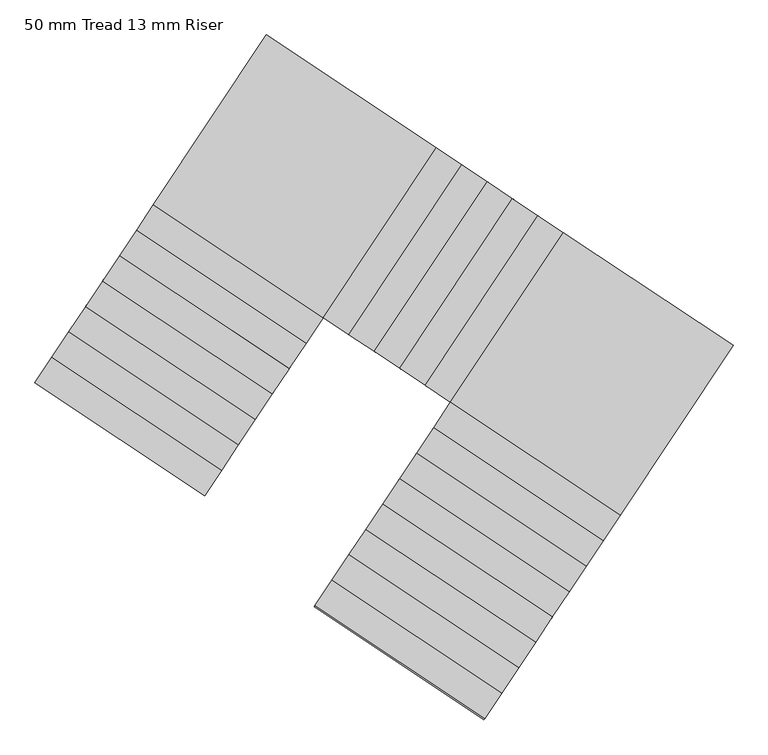
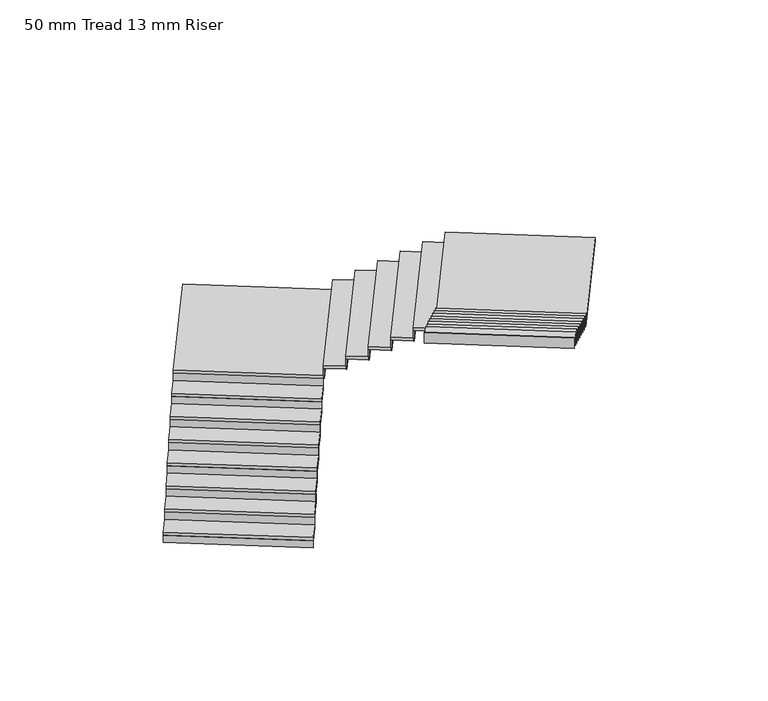
"""IFC4 building model written with IfcOpenShell, lengths in millimetres: stair flight geometry, 50 mm Tread 13 mm Riser."""

from ifc_helpers import new_model, si_unit, frame, origin, place, context, project, spatial, polyline, outline, extrude, source, transform, mapped, element, save


def stair_flight_50_mm_tread_13_mm_riser_fce2e4ef(model_context):
    return source(origin(), model_context, "Body", "SweptSolid", [
        extrude(outline(polyline([(-247204.2511497, 56805.2453331), (-247211.1748969, 56794.8380412), (-248876.3416006, 57902.6375939), (-248869.4178534, 57913.0448858), (-247204.2511497, 56805.2453331)])), frame((0.0, 0.0, 8680.0), z_axis=(0.0, 0.0, 1.0), x_axis=(1.0, 0.0, 0.0)), (0.0, 0.0, 1.0), 116.6666667),
        extrude(outline(polyline([(-248710.1716677, 58152.4125995), (-247045.004964, 57044.6130467), (-247211.1748969, 56794.8380412), (-248876.3416006, 57902.6375939), (-248710.1716677, 58152.4125995)])), frame((0.0, 0.0, 8796.6666667), z_axis=(0.0, 0.0, 1.0), x_axis=(1.0, 0.0, 0.0)), (0.0, 0.0, 1.0), 50.0),
        extrude(outline(polyline([(-247038.0812168, 57055.0203386), (-247045.004964, 57044.6130467), (-248710.1716677, 58152.4125995), (-248703.2479205, 58162.8198914), (-247038.0812168, 57055.0203386)])), frame((0.0, 0.0, 8796.6666667), z_axis=(0.0, 0.0, 1.0), x_axis=(1.0, 0.0, 0.0)), (0.0, 0.0, 1.0), 166.6666667),
        extrude(outline(polyline([(-248544.0017348, 58402.187605), (-246878.8350311, 57294.3880523), (-247045.004964, 57044.6130467), (-248710.1716677, 58152.4125995), (-248544.0017348, 58402.187605)])), frame((0.0, 0.0, 8963.3333333), z_axis=(0.0, 0.0, 1.0), x_axis=(1.0, 0.0, 0.0)), (0.0, 0.0, 1.0), 50.0),
        extrude(outline(polyline([(-246871.9112839, 57304.7953442), (-246878.8350311, 57294.3880523), (-248544.0017348, 58402.187605), (-248537.0779876, 58412.5948969), (-246871.9112839, 57304.7953442)])), frame((0.0, 0.0, 8963.3333333), z_axis=(0.0, 0.0, 1.0), x_axis=(1.0, 0.0, 0.0)), (0.0, 0.0, 1.0), 166.6666667),
        extrude(outline(polyline([(-248377.8318019, 58651.9626106), (-246712.6650982, 57544.1630578), (-246878.8350311, 57294.3880523), (-248544.0017348, 58402.187605), (-248377.8318019, 58651.9626106)])), frame((0.0, 0.0, 9130.0), z_axis=(0.0, 0.0, 1.0), x_axis=(1.0, 0.0, 0.0)), (0.0, 0.0, 1.0), 50.0),
        extrude(outline(polyline([(-246705.741351, 57554.5703497), (-246712.6650982, 57544.1630578), (-248377.8318019, 58651.9626106), (-248370.9080547, 58662.3699025), (-246705.741351, 57554.5703497)])), frame((0.0, 0.0, 9130.0), z_axis=(0.0, 0.0, 1.0), x_axis=(1.0, 0.0, 0.0)), (0.0, 0.0, 1.0), 166.6666667),
        extrude(outline(polyline([(-248211.6618689, 58901.7376161), (-246546.4951653, 57793.9380634), (-246712.6650982, 57544.1630578), (-248377.8318019, 58651.9626106), (-248211.6618689, 58901.7376161)])), frame((0.0, 0.0, 9296.6666667), z_axis=(0.0, 0.0, 1.0), x_axis=(1.0, 0.0, 0.0)), (0.0, 0.0, 1.0), 50.0),
        extrude(outline(polyline([(-246539.5714181, 57804.3453553), (-246546.4951653, 57793.9380634), (-248211.6618689, 58901.7376161), (-248204.7381217, 58912.144908), (-246539.5714181, 57804.3453553)])), frame((0.0, 0.0, 9296.6666667), z_axis=(0.0, 0.0, 1.0), x_axis=(1.0, 0.0, 0.0)), (0.0, 0.0, 1.0), 166.6666667),
        extrude(outline(polyline([(-248045.491936, 59151.5126217), (-246380.3252324, 58043.7130689), (-246546.4951653, 57793.9380634), (-248211.6618689, 58901.7376161), (-248045.491936, 59151.5126217)])), frame((0.0, 0.0, 9463.3333333), z_axis=(0.0, 0.0, 1.0), x_axis=(1.0, 0.0, 0.0)), (0.0, 0.0, 1.0), 50.0),
        extrude(outline(polyline([(-246373.4014852, 58054.1203608), (-246380.3252324, 58043.7130689), (-248045.491936, 59151.5126217), (-248038.5681888, 59161.9199136), (-246373.4014852, 58054.1203608)])), frame((0.0, 0.0, 9463.3333333), z_axis=(0.0, 0.0, 1.0), x_axis=(1.0, 0.0, 0.0)), (0.0, 0.0, 1.0), 166.6666667),
        extrude(outline(polyline([(-247879.3220031, 59401.2876272), (-246214.1552995, 58293.4880745), (-246380.3252324, 58043.7130689), (-248045.491936, 59151.5126217), (-247879.3220031, 59401.2876272)])), frame((0.0, 0.0, 9630.0), z_axis=(0.0, 0.0, 1.0), x_axis=(1.0, 0.0, 0.0)), (0.0, 0.0, 1.0), 50.0),
        extrude(outline(polyline([(-246207.2315523, 58303.8953664), (-246214.1552995, 58293.4880745), (-247879.3220031, 59401.2876272), (-247872.3982559, 59411.6949191), (-246207.2315523, 58303.8953664)])), frame((0.0, 0.0, 9630.0), z_axis=(0.0, 0.0, 1.0), x_axis=(1.0, 0.0, 0.0)), (0.0, 0.0, 1.0), 166.6666667),
        extrude(outline(polyline([(-247713.1520702, 59651.0626328), (-246047.9853666, 58543.26308), (-246214.1552995, 58293.4880745), (-247879.3220031, 59401.2876272), (-247713.1520702, 59651.0626328)])), frame((0.0, 0.0, 9796.6666667), z_axis=(0.0, 0.0, 1.0), x_axis=(1.0, 0.0, 0.0)), (0.0, 0.0, 1.0), 50.0),
        extrude(outline(polyline([(-246041.0616194, 58553.6703719), (-246047.9853666, 58543.26308), (-247713.1520702, 59651.0626328), (-247706.228323, 59661.4699246), (-246041.0616194, 58553.6703719)])), frame((0.0, 0.0, 9796.6666667), z_axis=(0.0, 0.0, 1.0), x_axis=(1.0, 0.0, 0.0)), (0.0, 0.0, 1.0), 166.6666667),
        extrude(outline(polyline([(-244940.1858138, 60208.4297837), (-246047.9853666, 58543.26308), (-247713.1520702, 59651.0626328), (-246605.3525175, 61316.2293364), (-244940.1858138, 60208.4297837)])), frame((0.0, 0.0, 9963.3333333), z_axis=(0.0, 0.0, 1.0), x_axis=(1.0, 0.0, 0.0)), (0.0, 0.0, 1.0), 50.0),
        extrude(outline(polyline([(-246037.5780747, 58536.3393328), (-246047.9853666, 58543.26308), (-244940.1858138, 60208.4297837), (-244929.7785219, 60201.5060365), (-246037.5780747, 58536.3393328)])), frame((0.0, 0.0, 9963.3333333), z_axis=(0.0, 0.0, 1.0), x_axis=(1.0, 0.0, 0.0)), (0.0, 0.0, 1.0), 166.6666667),
        extrude(outline(polyline([(-244690.4108083, 60042.2598508), (-245798.210361, 58377.0931471), (-246047.9853666, 58543.26308), (-244940.1858138, 60208.4297837), (-244690.4108083, 60042.2598508)])), frame((0.0, 0.0, 10130.0), z_axis=(0.0, 0.0, 1.0), x_axis=(1.0, 0.0, 0.0)), (0.0, 0.0, 1.0), 50.0),
        extrude(outline(polyline([(-245787.8030691, 58370.1693999), (-245798.210361, 58377.0931471), (-244690.4108083, 60042.2598508), (-244680.0035164, 60035.3361036), (-245787.8030691, 58370.1693999)])), frame((0.0, 0.0, 10130.0), z_axis=(0.0, 0.0, 1.0), x_axis=(1.0, 0.0, 0.0)), (0.0, 0.0, 1.0), 166.6666667),
        extrude(outline(polyline([(-244440.6358027, 59876.0899178), (-245548.4353555, 58210.9232142), (-245798.210361, 58377.0931471), (-244690.4108083, 60042.2598508), (-244440.6358027, 59876.0899178)])), frame((0.0, 0.0, 10296.6666667), z_axis=(0.0, 0.0, 1.0), x_axis=(1.0, 0.0, 0.0)), (0.0, 0.0, 1.0), 50.0),
        extrude(outline(polyline([(-245538.0280636, 58203.999467), (-245548.4353555, 58210.9232142), (-244440.6358027, 59876.0899178), (-244430.2285108, 59869.1661706), (-245538.0280636, 58203.999467)])), frame((0.0, 0.0, 10296.6666667), z_axis=(0.0, 0.0, 1.0), x_axis=(1.0, 0.0, 0.0)), (0.0, 0.0, 1.0), 166.6666667),
        extrude(outline(polyline([(-244190.8607972, 59709.9199849), (-245298.6603499, 58044.7532813), (-245548.4353555, 58210.9232142), (-244440.6358027, 59876.0899178), (-244190.8607972, 59709.9199849)])), frame((0.0, 0.0, 10463.3333333), z_axis=(0.0, 0.0, 1.0), x_axis=(1.0, 0.0, 0.0)), (0.0, 0.0, 1.0), 50.0),
        extrude(outline(polyline([(-245288.253058, 58037.8295341), (-245298.6603499, 58044.7532813), (-244190.8607972, 59709.9199849), (-244180.4535053, 59702.9962377), (-245288.253058, 58037.8295341)])), frame((0.0, 0.0, 10463.3333333), z_axis=(0.0, 0.0, 1.0), x_axis=(1.0, 0.0, 0.0)), (0.0, 0.0, 1.0), 166.6666667),
        extrude(outline(polyline([(-243941.0857916, 59543.750052), (-245048.8853444, 57878.5833484), (-245298.6603499, 58044.7532813), (-244190.8607972, 59709.9199849), (-243941.0857916, 59543.750052)])), frame((0.0, 0.0, 10630.0), z_axis=(0.0, 0.0, 1.0), x_axis=(1.0, 0.0, 0.0)), (0.0, 0.0, 1.0), 50.0),
        extrude(outline(polyline([(-245038.4780525, 57871.6596012), (-245048.8853444, 57878.5833484), (-243941.0857916, 59543.750052), (-243930.6784997, 59536.8263048), (-245038.4780525, 57871.6596012)])), frame((0.0, 0.0, 10630.0), z_axis=(0.0, 0.0, 1.0), x_axis=(1.0, 0.0, 0.0)), (0.0, 0.0, 1.0), 166.6666667),
        extrude(outline(polyline([(-243691.3107861, 59377.5801191), (-244799.1103388, 57712.4134155), (-245048.8853444, 57878.5833484), (-243941.0857916, 59543.750052), (-243691.3107861, 59377.5801191)])), frame((0.0, 0.0, 10796.6666667), z_axis=(0.0, 0.0, 1.0), x_axis=(1.0, 0.0, 0.0)), (0.0, 0.0, 1.0), 50.0),
        extrude(outline(polyline([(-244788.7030469, 57705.4896683), (-244799.1103388, 57712.4134155), (-243691.3107861, 59377.5801191), (-243680.9034942, 59370.6563719), (-244788.7030469, 57705.4896683)])), frame((0.0, 0.0, 10796.6666667), z_axis=(0.0, 0.0, 1.0), x_axis=(1.0, 0.0, 0.0)), (0.0, 0.0, 1.0), 166.6666667),
        extrude(outline(polyline([(-243133.9436352, 56604.6138627), (-244799.1103388, 57712.4134155), (-243691.3107861, 59377.5801191), (-242026.1440824, 58269.7805664), (-243133.9436352, 56604.6138627)])), frame((0.0, 0.0, 10963.3333333), z_axis=(0.0, 0.0, 1.0), x_axis=(1.0, 0.0, 0.0)), (0.0, 0.0, 1.0), 50.0),
        extrude(outline(polyline([(-244806.034086, 57702.0061236), (-244799.1103388, 57712.4134155), (-243133.9436352, 56604.6138627), (-243140.8673824, 56594.2065708), (-244806.034086, 57702.0061236)])), frame((0.0, 0.0, 10963.3333333), z_axis=(0.0, 0.0, 1.0), x_axis=(1.0, 0.0, 0.0)), (0.0, 0.0, 1.0), 166.6666667),
        extrude(outline(polyline([(-243300.1135681, 56354.8388572), (-244965.2802717, 57462.6384099), (-244799.1103388, 57712.4134155), (-243133.9436352, 56604.6138627), (-243300.1135681, 56354.8388572)])), frame((0.0, 0.0, 11130.0), z_axis=(0.0, 0.0, 1.0), x_axis=(1.0, 0.0, 0.0)), (0.0, 0.0, 1.0), 50.0),
        extrude(outline(polyline([(-244972.2040189, 57452.231118), (-244965.2802717, 57462.6384099), (-243300.1135681, 56354.8388572), (-243307.0373153, 56344.4315653), (-244972.2040189, 57452.231118)])), frame((0.0, 0.0, 11130.0), z_axis=(0.0, 0.0, 1.0), x_axis=(1.0, 0.0, 0.0)), (0.0, 0.0, 1.0), 166.6666667),
        extrude(outline(polyline([(-243466.283501, 56105.0638516), (-245131.4502046, 57212.8634044), (-244965.2802717, 57462.6384099), (-243300.1135681, 56354.8388572), (-243466.283501, 56105.0638516)])), frame((0.0, 0.0, 11296.6666667), z_axis=(0.0, 0.0, 1.0), x_axis=(1.0, 0.0, 0.0)), (0.0, 0.0, 1.0), 50.0),
        extrude(outline(polyline([(-245138.3739518, 57202.4561125), (-245131.4502046, 57212.8634044), (-243466.283501, 56105.0638516), (-243473.2072482, 56094.6565597), (-245138.3739518, 57202.4561125)])), frame((0.0, 0.0, 11296.6666667), z_axis=(0.0, 0.0, 1.0), x_axis=(1.0, 0.0, 0.0)), (0.0, 0.0, 1.0), 166.6666667),
        extrude(outline(polyline([(-243632.4534339, 55855.2888461), (-245297.6201376, 56963.0883988), (-245131.4502046, 57212.8634044), (-243466.283501, 56105.0638516), (-243632.4534339, 55855.2888461)])), frame((0.0, 0.0, 11463.3333333), z_axis=(0.0, 0.0, 1.0), x_axis=(1.0, 0.0, 0.0)), (0.0, 0.0, 1.0), 50.0),
        extrude(outline(polyline([(-245304.5438848, 56952.6811069), (-245297.6201376, 56963.0883988), (-243632.4534339, 55855.2888461), (-243639.3771811, 55844.8815542), (-245304.5438848, 56952.6811069)])), frame((0.0, 0.0, 11463.3333333), z_axis=(0.0, 0.0, 1.0), x_axis=(1.0, 0.0, 0.0)), (0.0, 0.0, 1.0), 166.6666667),
        extrude(outline(polyline([(-243798.6233668, 55605.5138405), (-245463.7900705, 56713.3133933), (-245297.6201376, 56963.0883988), (-243632.4534339, 55855.2888461), (-243798.6233668, 55605.5138405)])), frame((0.0, 0.0, 11630.0), z_axis=(0.0, 0.0, 1.0), x_axis=(1.0, 0.0, 0.0)), (0.0, 0.0, 1.0), 50.0),
        extrude(outline(polyline([(-245470.7138177, 56702.9061014), (-245463.7900705, 56713.3133933), (-243798.6233668, 55605.5138405), (-243805.547114, 55595.1065486), (-245470.7138177, 56702.9061014)])), frame((0.0, 0.0, 11630.0), z_axis=(0.0, 0.0, 1.0), x_axis=(1.0, 0.0, 0.0)), (0.0, 0.0, 1.0), 166.6666667),
        extrude(outline(polyline([(-243964.7932997, 55355.738835), (-245629.9600034, 56463.5383877), (-245463.7900705, 56713.3133933), (-243798.6233668, 55605.5138405), (-243964.7932997, 55355.738835)])), frame((0.0, 0.0, 11796.6666667), z_axis=(0.0, 0.0, 1.0), x_axis=(1.0, 0.0, 0.0)), (0.0, 0.0, 1.0), 50.0),
        extrude(outline(polyline([(-245636.8837506, 56453.1310958), (-245629.9600034, 56463.5383877), (-243964.7932997, 55355.738835), (-243971.7170469, 55345.3315431), (-245636.8837506, 56453.1310958)])), frame((0.0, 0.0, 11796.6666667), z_axis=(0.0, 0.0, 1.0), x_axis=(1.0, 0.0, 0.0)), (0.0, 0.0, 1.0), 166.6666667),
        extrude(outline(polyline([(-244130.9632326, 55105.9638294), (-245796.1299363, 56213.7633822), (-245629.9600034, 56463.5383877), (-243964.7932997, 55355.738835), (-244130.9632326, 55105.9638294)])), frame((0.0, 0.0, 11963.3333333), z_axis=(0.0, 0.0, 1.0), x_axis=(1.0, 0.0, 0.0)), (0.0, 0.0, 1.0), 50.0),
        extrude(outline(polyline([(-245803.0536835, 56203.3560903), (-245796.1299363, 56213.7633822), (-244130.9632326, 55105.9638294), (-244137.8869798, 55095.5565375), (-245803.0536835, 56203.3560903)])), frame((0.0, 0.0, 11963.3333333), z_axis=(0.0, 0.0, 1.0), x_axis=(1.0, 0.0, 0.0)), (0.0, 0.0, 1.0), 166.6666667),
        extrude(outline(polyline([(-244297.1331655, 54856.1888239), (-245962.2998692, 55963.9883766), (-245796.1299363, 56213.7633822), (-244130.9632326, 55105.9638294), (-244297.1331655, 54856.1888239)])), frame((0.0, 0.0, 12130.0), z_axis=(0.0, 0.0, 1.0), x_axis=(1.0, 0.0, 0.0)), (0.0, 0.0, 1.0), 50.0),
        extrude(outline(polyline([(-245969.2236164, 55953.5810847), (-245962.2998692, 55963.9883766), (-244297.1331655, 54856.1888239), (-244304.0569127, 54845.781532), (-245969.2236164, 55953.5810847)])), frame((0.0, 0.0, 12130.0), z_axis=(0.0, 0.0, 1.0), x_axis=(1.0, 0.0, 0.0)), (0.0, 0.0, 1.0), 166.6666667),
        extrude(outline(polyline([(-246135.3935493, 55703.8060792), (-246128.4698021, 55714.2133711), (-244463.3030984, 54606.4138183), (-244470.2268457, 54596.0065264), (-246135.3935493, 55703.8060792)])), frame((0.0, 0.0, 12296.6666667), z_axis=(0.0, 0.0, 1.0), x_axis=(1.0, 0.0, 0.0)), (0.0, 0.0, 1.0), 166.6666667),
        extrude(outline(polyline([(-244463.3030984, 54606.4138183), (-246128.4698021, 55714.2133711), (-245962.2998692, 55963.9883766), (-244297.1331655, 54856.1888239), (-244463.3030984, 54606.4138183)])), frame((0.0, 0.0, 12296.6666667), z_axis=(0.0, 0.0, 1.0), x_axis=(1.0, 0.0, 0.0)), (0.0, 0.0, 1.0), 50.0),
    ])


if __name__ == "__main__":
    model = new_model("IFC4")
    model_context = context("Model", 3, world=origin())
    ifc_project = project(units=[si_unit("LENGTHUNIT", "METRE", prefix="MILLI")], contexts=[model_context])
    site = spatial("IfcSite", under=ifc_project)
    building = spatial("IfcBuilding", under=site)
    placement = place(None, origin())
    stair_flight_50_mm_tread_13_mm_riser_shape = stair_flight_50_mm_tread_13_mm_riser_fce2e4ef(model_context)
    element("IfcStairFlight", 1, ObjectType="50 mm Tread 13 mm Riser", at=placement, inside=building, context=model_context, shape_type="MappedRepresentation", body=[
        mapped(stair_flight_50_mm_tread_13_mm_riser_shape, transform((0.0, 0.0, 0.0), x_axis=(1.0, 0.0, 0.0), y_axis=(0.0, 1.0, 0.0), z_axis=(0.0, 0.0, 1.0))),
    ])
    save(model, "model.ifc")
